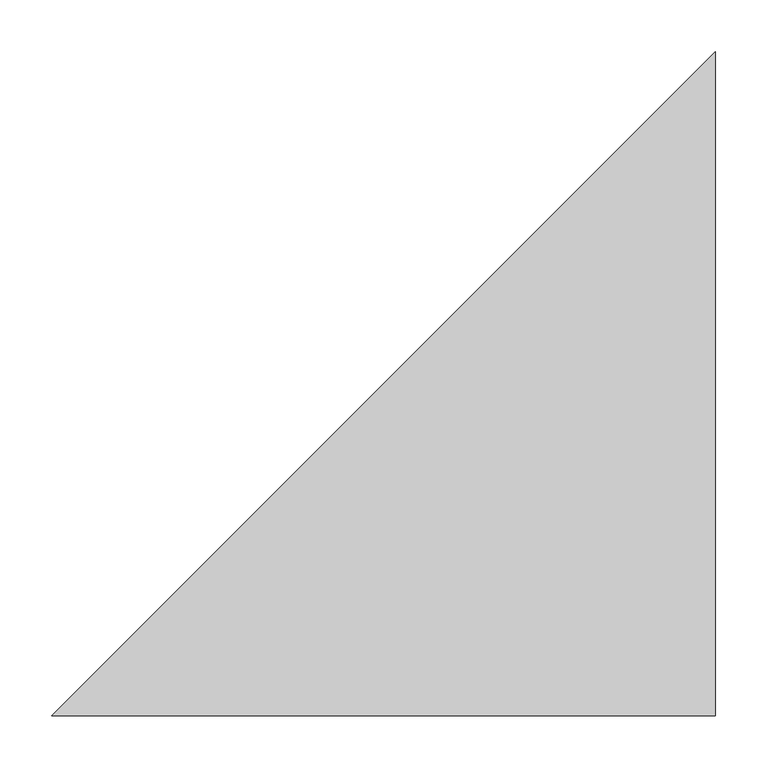
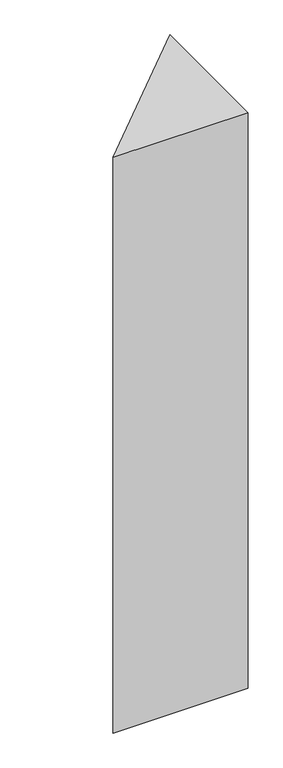
"""IFC4 building model written with IfcOpenShell, lengths in millimetres: column geometry."""

from ifc_helpers import new_model, si_unit, frame, origin, place, context, project, spatial, polyline, outline, extrude, source, transform, mapped, element, save


def column_1049ca7d(model_context):
    return source(origin(), model_context, "Body", "SweptSolid", [
        extrude(outline(polyline([(3309.7402038, -5416.904457), (3309.7402038, -6061.6353377), (2665.0093232, -6061.6353377), (3309.7402038, -5416.904457)])), frame((0.0, 0.0, 3300.0), z_axis=(0.0, 0.0, 1.0), x_axis=(1.0, 0.0, 0.0)), (0.0, 0.0, 1.0), 2900.0),
    ])


if __name__ == "__main__":
    model = new_model("IFC4")
    model_context = context("Model", 3, world=origin())
    ifc_project = project(units=[si_unit("LENGTHUNIT", "METRE", prefix="MILLI")], contexts=[model_context])
    site = spatial("IfcSite", under=ifc_project)
    building = spatial("IfcBuilding", under=site)
    placement = place(None, origin())
    column_shape = column_1049ca7d(model_context)
    element("IfcColumn", 1, at=placement, inside=building, context=model_context, shape_type="MappedRepresentation", body=[
        mapped(column_shape, transform((0.0, 0.0, 0.0), x_axis=(1.0, 0.0, 0.0), y_axis=(0.0, 1.0, 0.0), z_axis=(0.0, 0.0, 1.0))),
    ])
    save(model, "model.ifc")
